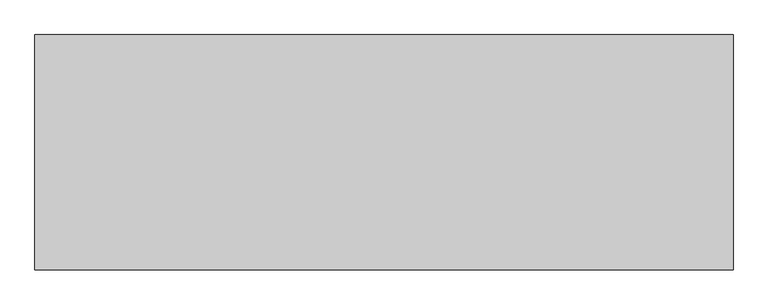
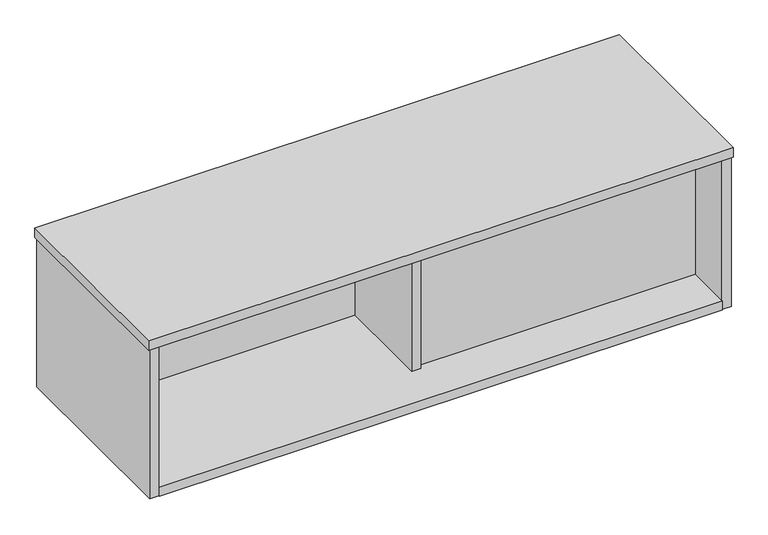
"""IFC4 building model written with IfcOpenShell, lengths in millimetres: furniture geometry."""

import ifcopenshell
import ifcopenshell.guid

model = None  # the IFC model being written
_history = None  # IfcOwnerHistory: only IFC2X3 demands one
_inside = {}  # id of a spatial element -> (the spatial element, [elements in it])
_under = {}  # id of a project, library or spatial element -> (it, [spatial elements below it])
_declared = {}  # id of a project -> (the project, [libraries it declares])
_typed = {}  # id of a type object -> (the type object, [elements of that type])
_made_of = {}  # id of a material, layer set ... -> (it, [elements and type objects made of it])


def new_model(schema):
    """Start an empty IFC model of exactly this schema.

    Asked for "IFC4X3", IfcOpenShell would pick the latest addendum, in which some entities
    have other attributes; the version numbers below select the first issue.
    IFC2X3 requires an IfcOwnerHistory on every rooted entity: one is made here for all.
    """
    global model, _history
    if schema == "IFC4X3":
        model = ifcopenshell.file(schema_version=(4, 3, 0, 0))
    else:
        model = ifcopenshell.file(schema=schema)
    _inside.clear()
    _under.clear()
    _declared.clear()
    _typed.clear()
    _made_of.clear()
    _history = None
    if model.schema == "IFC2X3":
        org = make("IfcOrganization", Name="unknown")
        user = make(
            "IfcPersonAndOrganization",
            ThePerson=make("IfcPerson", FamilyName="unknown"),
            TheOrganization=org,
        )
        app = make(
            "IfcApplication",
            ApplicationDeveloper=org,
            Version="unknown",
            ApplicationFullName="unknown",
            ApplicationIdentifier="unknown",
        )
        _history = make(
            "IfcOwnerHistory",
            OwningUser=user,
            OwningApplication=app,
            ChangeAction="ADDED",
            CreationDate=0,
        )
    return model


def make(cls, **values):
    """One entity of the class cls with the attributes given. An attribute that is None is left unset."""
    return model.create_entity(
        cls, **{name: value for name, value in values.items() if value is not None}
    )


def rooted(cls, **values):
    """An entity with a GlobalId (a new one), such as an element, a storey or a relation."""
    return make(cls, GlobalId=ifcopenshell.guid.new(), OwnerHistory=_history, **values)


def si_unit(unit_type, name, prefix=None):
    """IfcSIUnit, for example si_unit("LENGTHUNIT", "METRE", prefix="MILLI")."""
    return make("IfcSIUnit", UnitType=unit_type, Prefix=prefix, Name=name)


def assignment(units):
    """IfcUnitAssignment: the units of a project."""
    return None if units is None else make("IfcUnitAssignment", Units=units)


def point(xyz):
    """IfcCartesianPoint."""
    return None if xyz is None else make("IfcCartesianPoint", Coordinates=xyz)


def direction(xyz):
    """IfcDirection."""
    return None if xyz is None else make("IfcDirection", DirectionRatios=xyz)


def frame(location, z_axis=None, x_axis=None):
    """IfcAxis2Placement3D, a coordinate frame: its origin and axes. An axis left out is left unset."""
    return make(
        "IfcAxis2Placement3D",
        Location=point(location),
        Axis=direction(z_axis),
        RefDirection=direction(x_axis),
    )


def origin():
    """The frame at (0, 0, 0) with its axes left unset."""
    return frame((0.0, 0.0, 0.0))


def place(relative_to, where):
    """IfcLocalPlacement: puts the frame where relative to a parent placement (None: the world)."""
    return make(
        "IfcLocalPlacement", PlacementRelTo=relative_to, RelativePlacement=where
    )


def context(
    kind, dimensions, precision=None, world=None, true_north=None, identifier=None
):
    """IfcGeometricRepresentationContext, for example the 3D "Model" context."""
    return make(
        "IfcGeometricRepresentationContext",
        ContextIdentifier=identifier,
        ContextType=kind,
        CoordinateSpaceDimension=dimensions,
        Precision=precision,
        WorldCoordinateSystem=world,
        TrueNorth=true_north,
    )


def project(units=None, contexts=None):
    """IfcProject with its units and contexts."""
    return rooted(
        "IfcProject",
        Name="project",
        RepresentationContexts=contexts,
        UnitsInContext=assignment(units),
    )


def spatial(cls, under=None, at=None, **own):
    """A site, building, storey or space (cls), placed at a placement, below another one or the project."""
    s = rooted(cls, ObjectPlacement=at, **own)
    if under is not None:
        _under.setdefault(under.id(), (under, []))[1].append(s)
    return s


def polyline(points):
    """IfcPolyline through the points."""
    return make("IfcPolyline", Points=[point(p) for p in points])


def outline(outer, holes=None, kind="AREA"):
    """IfcArbitraryClosedProfileDef: a profile drawn as a closed curve; with holes, ...WithVoids."""
    if holes is None:
        return make("IfcArbitraryClosedProfileDef", ProfileType=kind, OuterCurve=outer)
    return make(
        "IfcArbitraryProfileDefWithVoids",
        ProfileType=kind,
        OuterCurve=outer,
        InnerCurves=holes,
    )


def extrude(swept, where, along, depth):
    """IfcExtrudedAreaSolid: the profile swept, set in the frame where, extruded along a direction by depth."""
    return make(
        "IfcExtrudedAreaSolid",
        SweptArea=swept,
        Position=where,
        ExtrudedDirection=direction(along),
        Depth=depth,
    )


def shape(context_of_items, identifier, shape_type, items):
    """IfcShapeRepresentation: the items that make up one representation, for example the "Body"."""
    return make(
        "IfcShapeRepresentation",
        ContextOfItems=context_of_items,
        RepresentationIdentifier=identifier,
        RepresentationType=shape_type,
        Items=items,
    )


def source(mapping_origin, context_of_items, identifier, shape_type, items):
    """IfcRepresentationMap: a shape defined once, which mapped items show again and again."""
    return make(
        "IfcRepresentationMap",
        MappingOrigin=mapping_origin,
        MappedRepresentation=shape(context_of_items, identifier, shape_type, items),
    )


def transform(
    local_origin,
    x_axis=None,
    y_axis=None,
    z_axis=None,
    scale=None,
    scale2=None,
    scale3=None,
    uniform=True,
):
    """IfcCartesianTransformationOperator3D, or its non-uniform kind. x_axis, y_axis, z_axis: its Axis1, 2, 3."""
    if uniform:
        return make(
            "IfcCartesianTransformationOperator3D",
            Axis1=direction(x_axis),
            Axis2=direction(y_axis),
            LocalOrigin=point(local_origin),
            Scale=scale,
            Axis3=direction(z_axis),
        )
    return make(
        "IfcCartesianTransformationOperator3DnonUniform",
        Axis1=direction(x_axis),
        Axis2=direction(y_axis),
        LocalOrigin=point(local_origin),
        Scale=scale,
        Axis3=direction(z_axis),
        Scale2=scale2,
        Scale3=scale3,
    )


def mapped(mapping_source, mapping_target):
    """IfcMappedItem: shows the shape of a source again, moved by a transform."""
    return make(
        "IfcMappedItem", MappingSource=mapping_source, MappingTarget=mapping_target
    )


def made_of(thing, what):
    """Note that an element or type object is made of a material, layer set ...; save() writes the relation."""
    if what is not None:
        _made_of.setdefault(what.id(), (what, []))[1].append(thing)
    return thing


def element(
    cls,
    number,
    at=None,
    inside=None,
    cuts=None,
    type_object=None,
    material=None,
    context=None,
    identifier="Body",
    shape_type=None,
    held_by="IfcProductDefinitionShape",
    body=None,
    shapes=None,
    **own,
):
    """One element of the class cls, such as IfcWall. Its Tag is "e" and its number.

    at: its placement. inside: the storey or other place that contains it. cuts: it is an
    opening in that element (IfcRelVoidsElement). A single representation is given by context,
    identifier, shape_type and body (its items); several are given by shapes. held_by: the class
    of the entity that holds the representations. save() writes the other relations.
    """
    e = rooted(cls, Tag="e%d" % number, ObjectPlacement=at, **own)
    if body is not None:
        shapes = [shape(context, identifier, shape_type, body)]
    if shapes is not None:
        e.Representation = make(held_by, Representations=shapes)
    if inside is not None:
        _inside.setdefault(inside.id(), (inside, []))[1].append(e)
    if cuts is not None:
        rooted(
            "IfcRelVoidsElement", RelatingBuildingElement=cuts, RelatedOpeningElement=e
        )
    if type_object is not None:
        _typed.setdefault(type_object.id(), (type_object, []))[1].append(e)
    return made_of(e, material)


def aggregate(whole, parts):
    """IfcRelAggregates: a whole, such as a stair, and the parts it consists of."""
    return rooted("IfcRelAggregates", RelatingObject=whole, RelatedObjects=parts)


def save(model, path):
    """Write the relations noted so far, then the file.

    IfcRelAggregates (storeys below a building ...), IfcRelContainedInSpatialStructure (elements
    in a storey), IfcRelDefinesByType, IfcRelAssociatesMaterial and IfcRelDeclares: one each for
    every whole, place, type object, material and project.
    """
    for whole, parts in _under.values():
        aggregate(whole, parts)
    for where, things in _inside.values():
        rooted(
            "IfcRelContainedInSpatialStructure",
            RelatedElements=things,
            RelatingStructure=where,
        )
    for kind, things in _typed.values():
        rooted("IfcRelDefinesByType", RelatedObjects=things, RelatingType=kind)
    for what, things in _made_of.values():
        rooted("IfcRelAssociatesMaterial", RelatedObjects=things, RelatingMaterial=what)
    for by, libraries in _declared.values():
        rooted("IfcRelDeclares", RelatingContext=by, RelatedDefinitions=libraries)
    model.write(path)


def furniture_c37105ec(model_context):
    return source(origin(), model_context, "Body", "SweptSolid", [
        extrude(outline(polyline([(617.7279922, -116.4462961), (598.4239925, -116.4462961), (598.4239925, 116.4462961), (617.7279922, 116.4462961), (617.7279922, -116.4462961)])), frame((0.0, 0.0, 818.9188368), z_axis=(0.0, 0.0, 1.0), x_axis=(1.0, 0.0, 0.0)), (0.0, 0.0, 1.0), 309.8291988),
        extrude(outline(polyline([(1200.8103885, -107.2006961), (609.6, -107.2006961), (609.6, -87.8876428), (1200.8103885, -87.8876428), (1200.8103885, -107.2006961)])), frame((0.0, 0.0, 818.9188368), z_axis=(0.0, 0.0, 1.0), x_axis=(1.0, 0.0, 0.0)), (0.0, 0.0, 1.0), 309.8291988),
        extrude(outline(polyline([(15.3415997, 107.2006961), (605.4343931, 107.2006961), (605.4343931, 87.8966963), (15.3415997, 87.8966963), (15.3415997, 107.2006961)])), frame((0.0, 0.0, 818.9188368), z_axis=(0.0, 0.0, 1.0), x_axis=(1.0, 0.0, 0.0)), (0.0, 0.0, 1.0), 309.8291988),
        extrude(outline(polyline([(1193.7999879, -205.0922961), (22.3519991, -205.0922961), (22.3519991, 205.0922961), (1193.7999879, 205.0922961), (1193.7999879, -205.0922961)])), frame((0.0, 0.0, 799.6148552), z_axis=(0.0, 0.0, 1.0), x_axis=(1.0, 0.0, 0.0)), (0.0, 0.0, 1.0), 19.3039816),
        extrude(outline(polyline([(1213.1040058, -203.2), (1193.7999879, -203.2), (1193.7999879, 203.2), (1213.1040058, 203.2), (1213.1040058, -203.2)])), frame((0.0, 0.0, 799.6148552), z_axis=(0.0, 0.0, 1.0), x_axis=(1.0, 0.0, 0.0)), (0.0, 0.0, 1.0), 329.1331804),
        extrude(outline(polyline([(22.3519991, -203.2), (3.0479999, -203.2), (3.0479999, 203.2), (22.3519991, 203.2), (22.3519991, -203.2)])), frame((0.0, 0.0, 799.6148552), z_axis=(0.0, 0.0, 1.0), x_axis=(1.0, 0.0, 0.0)), (0.0, 0.0, 1.0), 329.1331804),
        extrude(outline(polyline([(1216.1520029, 205.0922961), (1216.1520029, -205.0922961), (0.0, -205.0922961), (0.0, 205.0922961), (1216.1520029, 205.0922961)])), frame((0.0, 0.0, 1128.7480356), z_axis=(0.0, 0.0, 1.0), x_axis=(1.0, 0.0, 0.0)), (0.0, 0.0, 1.0), 20.1168196),
    ])


if __name__ == "__main__":
    model = new_model("IFC4")
    model_context = context("Model", 3, world=origin())
    ifc_project = project(units=[si_unit("LENGTHUNIT", "METRE", prefix="MILLI")], contexts=[model_context])
    site = spatial("IfcSite", under=ifc_project)
    building = spatial("IfcBuilding", under=site)
    placement = place(None, origin())
    furniture_shape = furniture_c37105ec(model_context)
    element("IfcFurniture", 1, at=placement, inside=building, context=model_context, shape_type="MappedRepresentation", body=[
        mapped(furniture_shape, transform((0.0, 0.0, 0.0), x_axis=(1.0, 0.0, 0.0), y_axis=(0.0, 1.0, 0.0), z_axis=(0.0, 0.0, 1.0))),
    ])
    save(model, "model.ifc")
